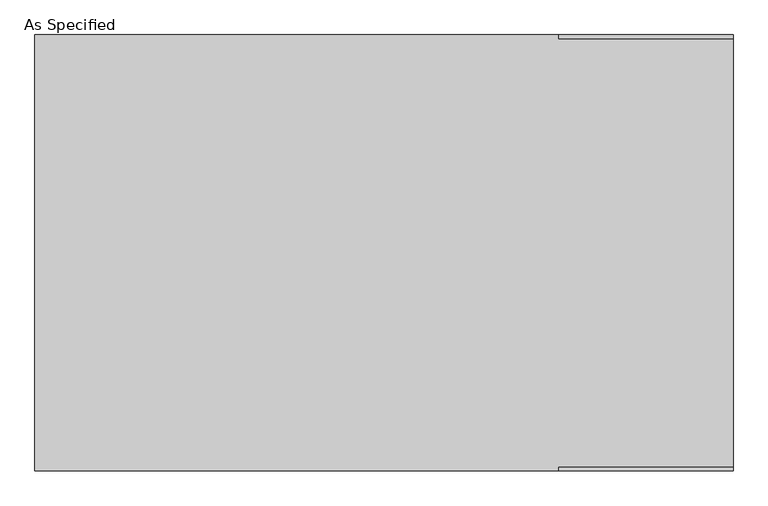
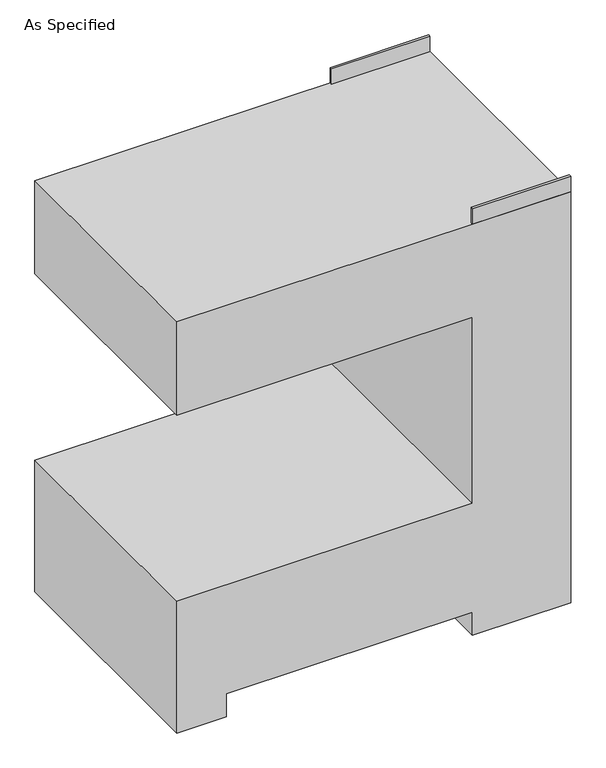
"""IFC4 building model written with IfcOpenShell, lengths in millimetres: proxy geometry, As Specified."""

from ifc_helpers import new_model, si_unit, frame, origin, place, context, project, spatial, polyline, outline, extrude, source, transform, mapped, element, save


def as_specified_a680c411(model_context):
    return source(origin(), model_context, "Body", "SweptSolid", [
        extrude(outline(polyline([(304.8, 374.65), (304.8, 381.0), (609.6, 381.0), (609.6, 374.65), (304.8, 374.65)])), frame((0.0, 0.0, 1346.2), z_axis=(0.0, 0.0, 1.0), x_axis=(1.0, 0.0, 0.0)), (0.0, 0.0, 1.0), 50.8),
        extrude(outline(polyline([(304.8, -381.0), (304.8, -374.65), (609.6, -374.65), (609.6, -381.0), (304.8, -381.0)])), frame((0.0, 0.0, 1346.2), z_axis=(0.0, 0.0, 1.0), x_axis=(1.0, 0.0, 0.0)), (0.0, 0.0, 1.0), 50.8),
        extrude(outline(polyline([(1346.2, 609.6), (1346.2, -609.6), (1041.4, -609.6), (1041.4, 304.8), (431.8, 304.8), (431.8, -609.6), (0.0, -609.6), (0.0, -457.2), (76.2, -457.2), (76.2, 304.8), (0.0, 304.8), (0.0, 609.6), (1346.2, 609.6)])), frame((0.0, -381.0, 0.0), z_axis=(0.0, 1.0, 0.0), x_axis=(0.0, 0.0, 1.0)), (0.0, 0.0, 1.0), 762.0),
    ])


if __name__ == "__main__":
    model = new_model("IFC4")
    model_context = context("Model", 3, world=origin())
    ifc_project = project(units=[si_unit("LENGTHUNIT", "METRE", prefix="MILLI")], contexts=[model_context])
    site = spatial("IfcSite", under=ifc_project)
    building = spatial("IfcBuilding", under=site)
    placement = place(None, origin())
    as_specified_shape = as_specified_a680c411(model_context)
    element("IfcBuildingElementProxy", 1, Name="As Specified", ObjectType="As Specified", at=placement, inside=building, context=model_context, shape_type="MappedRepresentation", body=[
        mapped(as_specified_shape, transform((0.0, 0.0, 0.0), x_axis=(1.0, 0.0, 0.0), y_axis=(0.0, 1.0, 0.0), z_axis=(0.0, 0.0, 1.0))),
    ])
    save(model, "model.ifc")
